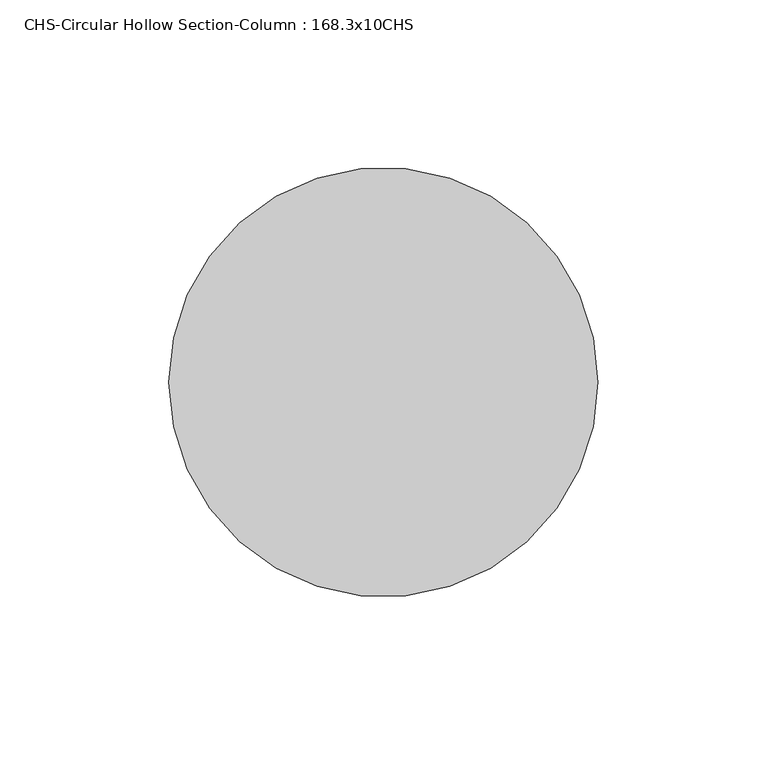
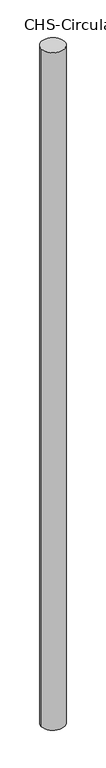
"""IFC4 building model written with IfcOpenShell, lengths in millimetres: column geometry, CHS-Circular Hollow Section-Column : 168.3x10CHS."""

from ifc_helpers import new_model, si_unit, point, frame, origin, origin_2d, place, context, project, spatial, circle_curve, trimmed, segment, composite_curve, outline, extrude, source, transform, mapped, element, save


def chs_circular_hollow_section_column_168_3x10chs_09ac5a6d(model_context):
    return source(origin(), model_context, "Body", "SweptSolid", [
        extrude(outline(composite_curve([segment(trimmed(circle_curve(origin_2d(), 63.5), [point((-63.5, 0.0))], [point((63.5, 0.0))], False, "CARTESIAN"), True, "CONTINUOUS"), segment(trimmed(circle_curve(origin_2d(), 63.5), [point((63.5, 0.0))], [point((-63.5, 0.0))], False, "CARTESIAN"), True, "CONTINUOUS")], self_intersect=False)), frame((0.0, 0.0, -4843.5154589), z_axis=(0.0, 0.0, 1.0), x_axis=(1.0, 0.0, 0.0)), (0.0, 0.0, 1.0), 3968.5631382),
    ])


if __name__ == "__main__":
    model = new_model("IFC4")
    model_context = context("Model", 3, world=origin())
    ifc_project = project(units=[si_unit("LENGTHUNIT", "METRE", prefix="MILLI")], contexts=[model_context])
    site = spatial("IfcSite", under=ifc_project)
    building = spatial("IfcBuilding", under=site)
    placement = place(None, origin())
    chs_circular_hollow_section_column_168_3x10chs_shape = chs_circular_hollow_section_column_168_3x10chs_09ac5a6d(model_context)
    element("IfcColumn", 1, ObjectType="CHS-Circular Hollow Section-Column : 168.3x10CHS", at=placement, inside=building, context=model_context, shape_type="MappedRepresentation", body=[
        mapped(chs_circular_hollow_section_column_168_3x10chs_shape, transform((0.0, 0.0, 0.0), x_axis=(1.0, 0.0, 0.0), y_axis=(0.0, 1.0, 0.0), z_axis=(0.0, 0.0, 1.0))),
    ])
    save(model, "model.ifc")
